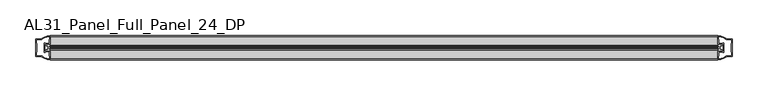
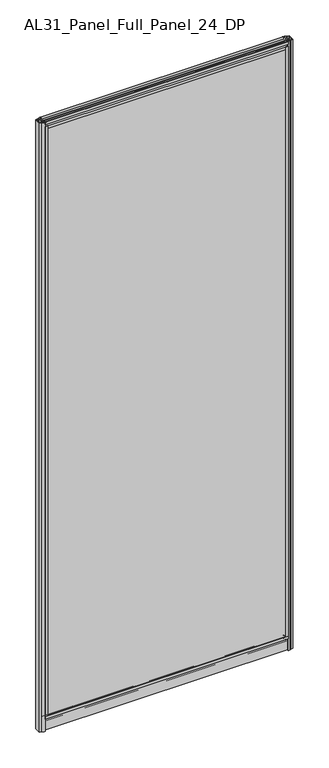
"""IFC4 building model written with IfcOpenShell, lengths in millimetres: plate geometry, AL31_Panel_Full_Panel_24_DP."""

from ifc_helpers import new_model, si_unit, point, frame, frame_2d, origin, origin_with_axes, place, context, project, spatial, polyline, circle_curve, trimmed, segment, composite_curve, outline, extrude, source, transform, mapped, element, save


def al31_panel_full_panel_24_dp_ca5efbb8(model_context):
    return source(origin(), model_context, "Body", "SweptSolid", [
        extrude(outline(composite_curve([segment(polyline([(-20.7348244, 46.2206013), (-21.2892398, 45.1563534)]), True, "CONTINUOUS"), segment(trimmed(circle_curve(frame_2d((-19.857, 47.9056604)), 3.1), [point((-21.2892398, 45.1563534))], [point((-22.907, 47.3511336))], False, "CARTESIAN"), True, "CONTINUOUS"), segment(polyline([(-22.907, 47.3511336), (-22.907, 41.9), (-24.857, 41.9), (-24.857, 49.4), (-36.857, 49.4), (-36.857, 59.2), (-34.657, 59.2), (-34.657, 51.3), (-5.057, 51.3), (-5.057, 59.2), (-2.857, 59.2), (-2.857, 49.4), (-14.857, 49.4), (-14.857, 41.9), (-16.807, 41.9), (-16.807, 47.3511336)]), True, "CONTINUOUS"), segment(trimmed(circle_curve(frame_2d((-19.857, 47.9056604)), 3.1), [point((-16.807, 47.3511336))], [point((-18.4247602, 45.1563534))], False, "CARTESIAN"), True, "CONTINUOUS"), segment(polyline([(-18.4247602, 45.1563534), (-18.9791756, 46.2206013)]), True, "CONTINUOUS"), segment(trimmed(circle_curve(frame_2d((-19.857, 47.9056604)), 1.9), [point((-18.9791756, 46.2206013))], [point((-19.857, 49.8056604))], True, "CARTESIAN"), True, "CONTINUOUS"), segment(trimmed(circle_curve(frame_2d((-19.857, 47.9056604)), 1.9), [point((-19.857, 49.8056604))], [point((-20.7348244, 46.2206013))], True, "CARTESIAN"), True, "CONTINUOUS")], self_intersect=False)), frame((-466.2499495, 0.0, 0.0), z_axis=(1.0, 0.0, 0.0), x_axis=(0.0, 1.0, 0.0)), (0.0, 0.0, 1.0), 932.4998991),
        extrude(outline(composite_curve([segment(trimmed(circle_curve(frame_2d((-467.7442891, -19.857)), 1.9), [point((-469.4293482, -20.7348244))], [point((-465.8442891, -19.857))], True, "CARTESIAN"), True, "CONTINUOUS"), segment(trimmed(circle_curve(frame_2d((-467.7442891, -19.857)), 1.9), [point((-465.8442891, -19.857))], [point((-469.4293482, -18.9791756))], True, "CARTESIAN"), True, "CONTINUOUS"), segment(polyline([(-469.4293482, -18.9791756), (-470.4935961, -18.4247602)]), True, "CONTINUOUS"), segment(trimmed(circle_curve(frame_2d((-467.7442891, -19.857)), 3.1), [point((-470.4935961, -18.4247602))], [point((-468.2988159, -16.807))], False, "CARTESIAN"), True, "CONTINUOUS"), segment(polyline([(-468.2988159, -16.807), (-473.7499495, -16.807), (-473.7499495, -14.857), (-466.2499495, -14.857), (-466.2499495, -2.857), (-456.4499495, -2.857), (-456.4499495, -5.057), (-464.3499495, -5.057), (-464.3499495, -34.657), (-456.4499495, -34.657), (-456.4499495, -36.857), (-466.2499495, -36.857), (-466.2499495, -24.857), (-473.7499495, -24.857), (-473.7499495, -22.907), (-468.2988159, -22.907)]), True, "CONTINUOUS"), segment(trimmed(circle_curve(frame_2d((-467.7442891, -19.857)), 3.1), [point((-468.2988159, -22.907))], [point((-470.4935961, -21.2892398))], False, "CARTESIAN"), True, "CONTINUOUS"), segment(polyline([(-470.4935961, -21.2892398), (-469.4293482, -20.7348244)]), True, "CONTINUOUS")], self_intersect=False)), frame((0.0, 0.0, 49.4), z_axis=(0.0, 0.0, 1.0), x_axis=(1.0, 0.0, 0.0)), (0.0, 0.0, 1.0), 2402.1572926),
        extrude(outline(composite_curve([segment(trimmed(circle_curve(frame_2d((467.7442891, -19.857)), 1.9), [point((469.4293482, -18.9791756))], [point((465.8442891, -19.857))], True, "CARTESIAN"), True, "CONTINUOUS"), segment(trimmed(circle_curve(frame_2d((467.7442891, -19.857)), 1.9), [point((465.8442891, -19.857))], [point((469.4293482, -20.7348244))], True, "CARTESIAN"), True, "CONTINUOUS"), segment(polyline([(469.4293482, -20.7348244), (470.4935961, -21.2892398)]), True, "CONTINUOUS"), segment(trimmed(circle_curve(frame_2d((467.7442891, -19.857)), 3.1), [point((470.4935961, -21.2892398))], [point((468.2988159, -22.907))], False, "CARTESIAN"), True, "CONTINUOUS"), segment(polyline([(468.2988159, -22.907), (473.7499495, -22.907), (473.7499495, -24.857), (466.2499495, -24.857), (466.2499495, -36.857), (456.4499495, -36.857), (456.4499495, -34.657), (464.3499495, -34.657), (464.3499495, -5.057), (456.4499495, -5.057), (456.4499495, -2.857), (466.2499495, -2.857), (466.2499495, -14.857), (473.7499495, -14.857), (473.7499495, -16.807), (468.2988159, -16.807)]), True, "CONTINUOUS"), segment(trimmed(circle_curve(frame_2d((467.7442891, -19.857)), 3.1), [point((468.2988159, -16.807))], [point((470.4935961, -18.4247602))], False, "CARTESIAN"), True, "CONTINUOUS"), segment(polyline([(470.4935961, -18.4247602), (469.4293482, -18.9791756)]), True, "CONTINUOUS")], self_intersect=False)), frame((0.0, 0.0, 49.4), z_axis=(0.0, 0.0, 1.0), x_axis=(1.0, 0.0, 0.0)), (0.0, 0.0, 1.0), 2402.1572926),
        extrude(outline(composite_curve([segment(polyline([(-18.9791756, 2454.7366913), (-18.4247602, 2455.8009392)]), True, "CONTINUOUS"), segment(trimmed(circle_curve(frame_2d((-19.857, 2453.0516322)), 3.1), [point((-18.4247602, 2455.8009392))], [point((-16.807, 2453.606159))], False, "CARTESIAN"), True, "CONTINUOUS"), segment(polyline([(-16.807, 2453.606159), (-16.807, 2459.0572926), (-14.857, 2459.0572926), (-14.857, 2451.5572926), (-2.857, 2451.5572926), (-2.857, 2441.7572926), (-5.057, 2441.7572926), (-5.057, 2449.6572926), (-34.657, 2449.6572926), (-34.657, 2441.7572926), (-36.857, 2441.7572926), (-36.857, 2451.5572926), (-24.857, 2451.5572926), (-24.857, 2459.0572926), (-22.907, 2459.0572926), (-22.907, 2453.606159)]), True, "CONTINUOUS"), segment(trimmed(circle_curve(frame_2d((-19.857, 2453.0516322)), 3.1), [point((-22.907, 2453.606159))], [point((-21.2892398, 2455.8009392))], False, "CARTESIAN"), True, "CONTINUOUS"), segment(polyline([(-21.2892398, 2455.8009392), (-20.7348244, 2454.7366913)]), True, "CONTINUOUS"), segment(trimmed(circle_curve(frame_2d((-19.857, 2453.0516322)), 1.9), [point((-20.7348244, 2454.7366913))], [point((-19.857, 2451.1516322))], True, "CARTESIAN"), True, "CONTINUOUS"), segment(trimmed(circle_curve(frame_2d((-19.857, 2453.0516322)), 1.9), [point((-19.857, 2451.1516322))], [point((-18.9791756, 2454.7366913))], True, "CARTESIAN"), True, "CONTINUOUS")], self_intersect=False)), frame((-466.2499495, 0.0, 0.0), z_axis=(1.0, 0.0, 0.0), x_axis=(0.0, 1.0, 0.0)), (0.0, 0.0, 1.0), 932.4998991),
        extrude(outline(composite_curve([segment(trimmed(circle_curve(frame_2d((-19.957, 2461.8572926)), 3.0), [point((-18.457, 2464.4553688))], [point((-17.4851586, 2460.1572926))], False, "CARTESIAN"), True, "CONTINUOUS"), segment(polyline([(-17.4851586, 2460.1572926), (-4.157, 2460.1572926), (-4.157, 2469.5572926), (-2.857, 2469.5572926), (-2.857, 2459.0572926), (-13.1545312, 2459.0572926), (-13.1545312, 2458.2572926), (-13.6601218, 2456.3357964), (-13.6601218, 2451.6572926), (-14.857, 2451.6572926), (-14.857, 2456.9912672), (-14.357, 2457.8572926), (-14.357, 2459.0572926), (-25.357, 2459.0572926), (-25.357, 2457.8572926), (-24.857, 2456.9912672), (-24.857, 2451.6572926), (-26.0538782, 2451.6572926), (-26.0538782, 2456.3357964), (-26.5594688, 2458.2572926), (-26.5594688, 2459.0572926), (-36.857, 2459.0572926), (-36.857, 2469.5572926), (-35.557, 2469.5572926), (-35.557, 2460.1572926), (-22.4288414, 2460.1572926)]), True, "CONTINUOUS"), segment(trimmed(circle_curve(frame_2d((-19.957, 2461.8572926)), 3.0), [point((-22.4288414, 2460.1572926))], [point((-21.457, 2464.4553688))], False, "CARTESIAN"), True, "CONTINUOUS"), segment(polyline([(-21.457, 2464.4553688), (-20.907, 2463.5027409)]), True, "CONTINUOUS"), segment(trimmed(circle_curve(frame_2d((-19.957, 2461.8572926)), 1.9), [point((-20.907, 2463.5027409))], [point((-19.007, 2463.5027409))], True, "CARTESIAN"), True, "CONTINUOUS"), segment(polyline([(-19.007, 2463.5027409), (-18.457, 2464.4553688)]), True, "CONTINUOUS")], self_intersect=False)), frame((-466.2499495, 0.0, 0.0), z_axis=(1.0, 0.0, 0.0), x_axis=(0.0, 1.0, 0.0)), (0.0, 0.0, 1.0), 932.4998991),
        extrude(outline(composite_curve([segment(polyline([(-11.457, 35.8), (-28.257, 35.8)]), True, "CONTINUOUS"), segment(trimmed(circle_curve(frame_2d((-28.257, 34.8)), 1.0), [point((-28.257, 35.8))], [point((-29.257, 34.8))], True, "CARTESIAN"), True, "CONTINUOUS"), segment(polyline([(-29.257, 34.8), (-29.257, 33.5), (-24.8569697, 33.5), (-24.8569697, 32.3), (-29.257, 32.3), (-29.257, 0.0), (-30.457, 0.0), (-30.457, 47.3)]), True, "CONTINUOUS"), segment(trimmed(circle_curve(frame_2d((-28.457, 47.3)), 2.0), [point((-30.457, 47.3))], [point((-28.457, 49.3))], False, "CARTESIAN"), True, "CONTINUOUS"), segment(polyline([(-28.457, 49.3), (-24.857, 49.3), (-24.857, 41.9), (-14.857, 41.9), (-14.857, 49.3), (-11.257, 49.3)]), True, "CONTINUOUS"), segment(trimmed(circle_curve(frame_2d((-11.257, 47.3)), 2.0), [point((-11.257, 49.3))], [point((-9.257, 47.3))], False, "CARTESIAN"), True, "CONTINUOUS"), segment(polyline([(-9.257, 47.3), (-9.257, 0.0), (-10.457, 0.0), (-10.457, 32.3), (-14.8569697, 32.3), (-14.8569697, 33.5), (-10.457, 33.5), (-10.457, 34.8)]), True, "CONTINUOUS"), segment(trimmed(circle_curve(frame_2d((-11.457, 34.8)), 1.0), [point((-10.457, 34.8))], [point((-11.457, 35.8))], True, "CARTESIAN"), True, "CONTINUOUS")], self_intersect=False), holes=[composite_curve([segment(polyline([(-26.3594688, 41.8), (-26.3594688, 42.9)]), True, "CONTINUOUS"), segment(trimmed(circle_curve(frame_2d((-25.1594688, 42.9)), 1.2), [point((-26.3594688, 42.9))], [point((-25.9768184, 43.7786009))], False, "CARTESIAN"), True, "CONTINUOUS"), segment(polyline([(-25.9768184, 43.7786009), (-25.9768184, 48.2), (-28.257, 48.2)]), True, "CONTINUOUS"), segment(trimmed(circle_curve(frame_2d((-28.257, 47.2)), 1.0), [point((-28.257, 48.2))], [point((-29.257, 47.2))], True, "CARTESIAN"), True, "CONTINUOUS"), segment(polyline([(-29.257, 47.2), (-29.257, 37.04), (-22.6578965, 37.04), (-22.6578965, 38.0725806), (-21.6940508, 38.0725806)]), True, "CONTINUOUS"), segment(trimmed(circle_curve(frame_2d((-19.857, 39.1)), 2.1048387), [point((-21.6940508, 38.0725806))], [point((-18.0199492, 38.0725806))], True, "CARTESIAN"), True, "CONTINUOUS"), segment(polyline([(-18.0199492, 38.0725806), (-17.0561035, 38.0725806), (-17.0561035, 37.04), (-10.457, 37.04), (-10.457, 47.2)]), True, "CONTINUOUS"), segment(trimmed(circle_curve(frame_2d((-11.457, 47.2)), 1.0), [point((-10.457, 47.2))], [point((-11.457, 48.2))], True, "CARTESIAN"), True, "CONTINUOUS"), segment(polyline([(-11.457, 48.2), (-13.7371816, 48.2), (-13.7371816, 43.5786009)]), True, "CONTINUOUS"), segment(trimmed(circle_curve(frame_2d((-14.5545312, 42.7)), 1.2), [point((-13.7371816, 43.5786009))], [point((-13.3545312, 42.7))], False, "CARTESIAN"), True, "CONTINUOUS"), segment(polyline([(-13.3545312, 42.7), (-13.3545312, 41.8)]), True, "CONTINUOUS"), segment(trimmed(circle_curve(frame_2d((-14.3545312, 41.8)), 1.0), [point((-13.3545312, 41.8))], [point((-14.3545312, 40.8))], False, "CARTESIAN"), True, "CONTINUOUS"), segment(polyline([(-14.3545312, 40.8), (-17.0561035, 40.8), (-17.0561035, 39.7274194), (-18.0199492, 39.7274194)]), True, "CONTINUOUS"), segment(trimmed(circle_curve(frame_2d((-19.857, 38.7)), 2.1048387), [point((-18.0199492, 39.7274194))], [point((-21.6940508, 39.7274194))], True, "CARTESIAN"), True, "CONTINUOUS"), segment(polyline([(-21.6940508, 39.7274194), (-22.6578965, 39.7274194), (-22.6578965, 40.8), (-25.3594688, 40.8)]), True, "CONTINUOUS"), segment(trimmed(circle_curve(frame_2d((-25.3594688, 41.8)), 1.0), [point((-25.3594688, 40.8))], [point((-26.3594688, 41.8))], False, "CARTESIAN"), True, "CONTINUOUS")], self_intersect=False)]), frame((-466.2499495, 0.0, 0.0), z_axis=(1.0, 0.0, 0.0), x_axis=(0.0, 1.0, 0.0)), (0.0, 0.0, 1.0), 932.4998991),
        extrude(outline(composite_curve([segment(polyline([(-474.0913709, -25.757), (-472.8913709, -25.757), (-472.8913709, -24.857), (-466.2499495, -24.857), (-466.2499495, -36.8571453)]), True, "CONTINUOUS"), segment(trimmed(circle_curve(frame_2d((-465.8852979, -16.8604698)), 20.0), [point((-466.2499495, -36.8571453))], [point((-477.6057848, -33.0663388))], False, "CARTESIAN"), True, "CONTINUOUS"), segment(polyline([(-477.6057848, -33.0663388), (-477.6057848, -32.1849343), (-486.2499495, -32.1849343), (-486.2499495, -7.4849343), (-477.6057848, -7.4849343), (-477.6057848, -6.6474751)]), True, "CONTINUOUS"), segment(trimmed(circle_curve(frame_2d((-465.8852979, -22.8533441)), 20.0), [point((-477.6057848, -6.6474751))], [point((-466.2499495, -2.8566686))], False, "CARTESIAN"), True, "CONTINUOUS"), segment(polyline([(-466.2499495, -2.8566686), (-466.2499495, -14.857), (-472.8913709, -14.857), (-472.8913709, -13.957), (-474.0913709, -13.957), (-474.0913709, -25.757)]), True, "CONTINUOUS")], self_intersect=False), holes=[composite_curve([segment(trimmed(circle_curve(frame_2d((-473.0913709, -14.157)), 1.5), [point((-473.0913709, -12.657))], [point((-471.7361166, -13.5141269))], False, "CARTESIAN"), True, "CONTINUOUS"), segment(polyline([(-471.7361166, -13.5141269), (-467.9913709, -13.5141269), (-467.9913709, -8.917777), (-467.5520311, -7.8571168), (-467.5520311, -4.2070183)]), True, "CONTINUOUS"), segment(trimmed(circle_curve(frame_2d((-465.8852979, -22.8325921)), 18.7), [point((-467.5520311, -4.2070183))], [point((-475.8920757, -7.0353013))], True, "CARTESIAN"), True, "CONTINUOUS"), segment(trimmed(circle_curve(frame_2d((-477.6913709, -6.9849343)), 1.8), [point((-475.8920757, -7.0353013))], [point((-477.6913709, -8.7849343))], False, "CARTESIAN"), True, "CONTINUOUS"), segment(polyline([(-477.6913709, -8.7849343), (-484.8327922, -8.7849343), (-484.8327922, -13.3550394), (-484.3913709, -14.417777), (-484.3913709, -25.2520916), (-484.8913709, -26.2449987), (-484.8913709, -30.8849343), (-477.6913709, -30.8849343)]), True, "CONTINUOUS"), segment(trimmed(circle_curve(frame_2d((-477.6913709, -32.6849343)), 1.8), [point((-477.6913709, -30.8849343))], [point((-475.8920757, -32.6345673))], False, "CARTESIAN"), True, "CONTINUOUS"), segment(trimmed(circle_curve(frame_2d((-465.8852979, -16.8372765)), 18.7), [point((-475.8920757, -32.6345673))], [point((-467.5520311, -35.4628503))], True, "CARTESIAN"), True, "CONTINUOUS"), segment(polyline([(-467.5520311, -35.4628503), (-467.5520311, -31.8127518), (-467.9913709, -30.7520916), (-467.9913709, -26.1561308), (-471.7162192, -26.1561308)]), True, "CONTINUOUS"), segment(trimmed(circle_curve(frame_2d((-473.0913709, -25.557)), 1.5), [point((-471.7162192, -26.1561308))], [point((-473.0913709, -27.057))], False, "CARTESIAN"), True, "CONTINUOUS"), segment(polyline([(-473.0913709, -27.057), (-475.3913709, -27.057), (-475.3913709, -12.657), (-473.0913709, -12.657)]), True, "CONTINUOUS")], self_intersect=False)]), origin_with_axes(), (0.0, 0.0, 1.0), 2469.5572926),
        extrude(outline(composite_curve([segment(polyline([(474.0913709, -13.957), (472.8913709, -13.957), (472.8913709, -14.857), (466.2499495, -14.857), (466.2499495, -2.8568547)]), True, "CONTINUOUS"), segment(trimmed(circle_curve(frame_2d((465.8852979, -22.8535302)), 20.0), [point((466.2499495, -2.8568547))], [point((477.6057848, -6.6476612))], False, "CARTESIAN"), True, "CONTINUOUS"), segment(polyline([(477.6057848, -6.6476612), (477.6057848, -7.5290657), (486.2499495, -7.5290657), (486.2499495, -32.2290657), (477.6057848, -32.2290657), (477.6057848, -33.0665249)]), True, "CONTINUOUS"), segment(trimmed(circle_curve(frame_2d((465.8852979, -16.8606559)), 20.0), [point((477.6057848, -33.0665249))], [point((466.2499495, -36.8573314))], False, "CARTESIAN"), True, "CONTINUOUS"), segment(polyline([(466.2499495, -36.8573314), (466.2499495, -24.857), (472.8913709, -24.857), (472.8913709, -25.757), (474.0913709, -25.757), (474.0913709, -13.957)]), True, "CONTINUOUS")], self_intersect=False), holes=[composite_curve([segment(trimmed(circle_curve(frame_2d((473.0913709, -25.557)), 1.5), [point((473.0913709, -27.057))], [point((471.7361166, -26.1998731))], False, "CARTESIAN"), True, "CONTINUOUS"), segment(polyline([(471.7361166, -26.1998731), (467.9913709, -26.1998731), (467.9913709, -30.796223), (467.5520311, -31.8568832), (467.5520311, -35.5069817)]), True, "CONTINUOUS"), segment(trimmed(circle_curve(frame_2d((465.8852979, -16.8814079)), 18.7), [point((467.5520311, -35.5069817))], [point((475.8920757, -32.6786987))], True, "CARTESIAN"), True, "CONTINUOUS"), segment(trimmed(circle_curve(frame_2d((477.6913709, -32.7290657)), 1.8), [point((475.8920757, -32.6786987))], [point((477.6913709, -30.9290657))], False, "CARTESIAN"), True, "CONTINUOUS"), segment(polyline([(477.6913709, -30.9290657), (484.8327922, -30.9290657), (484.8327922, -26.3589606), (484.3913709, -25.296223), (484.3913709, -14.4619084), (484.8913709, -13.4690013), (484.8913709, -8.8290657), (477.6913709, -8.8290657)]), True, "CONTINUOUS"), segment(trimmed(circle_curve(frame_2d((477.6913709, -7.0290657)), 1.8), [point((477.6913709, -8.8290657))], [point((475.8920757, -7.0794327))], False, "CARTESIAN"), True, "CONTINUOUS"), segment(trimmed(circle_curve(frame_2d((465.8852979, -22.8767235)), 18.7), [point((475.8920757, -7.0794327))], [point((467.5520311, -4.2511497))], True, "CARTESIAN"), True, "CONTINUOUS"), segment(polyline([(467.5520311, -4.2511497), (467.5520311, -7.9012482), (467.9913709, -8.9619084), (467.9913709, -13.5578692), (471.7162192, -13.5578692)]), True, "CONTINUOUS"), segment(trimmed(circle_curve(frame_2d((473.0913709, -14.157)), 1.5), [point((471.7162192, -13.5578692))], [point((473.0913709, -12.657))], False, "CARTESIAN"), True, "CONTINUOUS"), segment(polyline([(473.0913709, -12.657), (475.3913709, -12.657), (475.3913709, -27.057), (473.0913709, -27.057)]), True, "CONTINUOUS")], self_intersect=False)]), origin_with_axes(), (0.0, 0.0, 1.0), 2469.5572926),
        extrude(outline(polyline([(464.3499495, -27.857), (464.3499495, -31.857), (-464.3499495, -31.857), (-464.3499495, -27.857), (464.3499495, -27.857)])), frame((0.0, 0.0, 51.3), z_axis=(0.0, 0.0, 1.0), x_axis=(1.0, 0.0, 0.0)), (0.0, 0.0, 1.0), 2398.3572926),
        extrude(outline(polyline([(464.3499495, -7.857), (464.3499495, -11.857), (-464.3499495, -11.857), (-464.3499495, -7.857), (464.3499495, -7.857)])), frame((0.0, 0.0, 51.3), z_axis=(0.0, 0.0, 1.0), x_axis=(1.0, 0.0, 0.0)), (0.0, 0.0, 1.0), 2398.3572926),
    ])


if __name__ == "__main__":
    model = new_model("IFC4")
    model_context = context("Model", 3, world=origin())
    ifc_project = project(units=[si_unit("LENGTHUNIT", "METRE", prefix="MILLI")], contexts=[model_context])
    site = spatial("IfcSite", under=ifc_project)
    building = spatial("IfcBuilding", under=site)
    placement = place(None, origin())
    al31_panel_full_panel_24_dp_shape = al31_panel_full_panel_24_dp_ca5efbb8(model_context)
    element("IfcPlate", 1, ObjectType="AL31_Panel_Full_Panel_24_DP", at=placement, inside=building, context=model_context, shape_type="MappedRepresentation", body=[
        mapped(al31_panel_full_panel_24_dp_shape, transform((0.0, 0.0, 0.0), x_axis=(1.0, 0.0, 0.0), y_axis=(0.0, 1.0, 0.0), z_axis=(0.0, 0.0, 1.0))),
    ])
    save(model, "model.ifc")
